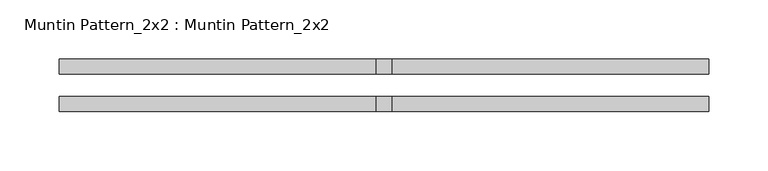
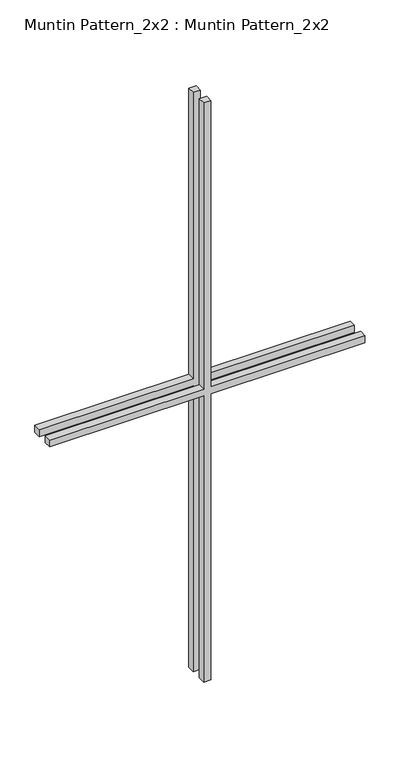
"""IFC4 building model written with IfcOpenShell, lengths in millimetres: proxy geometry, Muntin Pattern_2x2 : Muntin Pattern_2x2."""

from ifc_helpers import new_model, si_unit, frame, origin, place, context, project, spatial, polyline, outline, extrude, source, transform, mapped, element, save


def muntin_pattern_2x2_muntin_pattern_2x2_37f5c99f(model_context):
    return source(origin(), model_context, "Body", "SweptSolid", [
        extrude(outline(polyline([(539.75, -6.35), (539.75, -274.6375), (527.05, -274.6375), (527.05, -6.35), (0.0, -6.35), (0.0, 6.35), (527.05, 6.35), (527.05, 274.6375), (539.75, 274.6375), (539.75, 6.35), (1066.8, 6.35), (1066.8, -6.35), (539.75, -6.35)])), frame((0.0, 9.525, 0.0), z_axis=(0.0, 1.0, 0.0), x_axis=(0.0, 0.0, 1.0)), (0.0, 0.0, 1.0), 12.7),
        extrude(outline(polyline([(539.75, -6.35), (539.75, -274.6375), (527.05, -274.6375), (527.05, -6.35), (0.0, -6.35), (0.0, 6.35), (527.05, 6.35), (527.05, 274.6375), (539.75, 274.6375), (539.75, 6.35), (1066.8, 6.35), (1066.8, -6.35), (539.75, -6.35)])), frame((0.0, -22.225, 0.0), z_axis=(0.0, 1.0, 0.0), x_axis=(0.0, 0.0, 1.0)), (0.0, 0.0, 1.0), 12.7),
    ])


if __name__ == "__main__":
    model = new_model("IFC4")
    model_context = context("Model", 3, world=origin())
    ifc_project = project(units=[si_unit("LENGTHUNIT", "METRE", prefix="MILLI")], contexts=[model_context])
    site = spatial("IfcSite", under=ifc_project)
    building = spatial("IfcBuilding", under=site)
    placement = place(None, origin())
    muntin_pattern_2x2_muntin_pattern_2x2_shape = muntin_pattern_2x2_muntin_pattern_2x2_37f5c99f(model_context)
    element("IfcBuildingElementProxy", 1, Name="Muntin Pattern_2x2 : Muntin Pattern_2x2", ObjectType="Muntin Pattern_2x2 : Muntin Pattern_2x2", at=placement, inside=building, context=model_context, shape_type="MappedRepresentation", body=[
        mapped(muntin_pattern_2x2_muntin_pattern_2x2_shape, transform((0.0, 0.0, 0.0), x_axis=(1.0, 0.0, 0.0), y_axis=(0.0, 1.0, 0.0), z_axis=(0.0, 0.0, 1.0))),
    ])
    save(model, "model.ifc")
